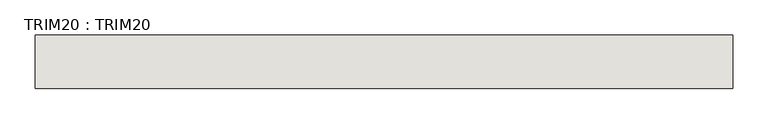
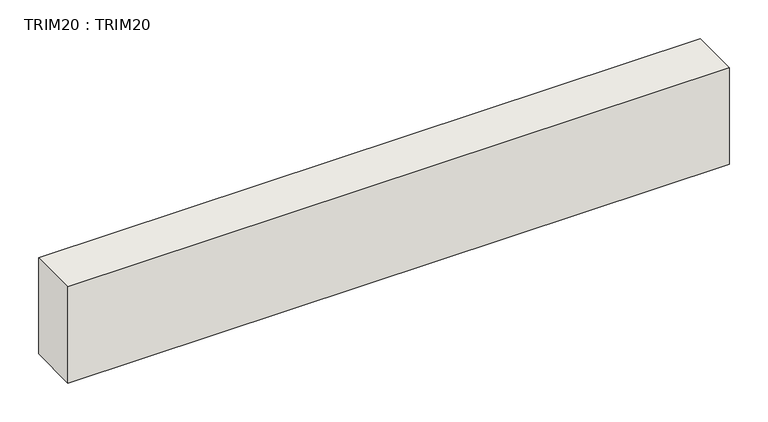
"""IFC4 building model written with IfcOpenShell, lengths in millimetres: wall geometry, TRIM20 : TRIM20."""

import ifcopenshell
import ifcopenshell.guid

model = None  # the IFC model being written
_history = None  # IfcOwnerHistory: only IFC2X3 demands one
_inside = {}  # id of a spatial element -> (the spatial element, [elements in it])
_under = {}  # id of a project, library or spatial element -> (it, [spatial elements below it])
_declared = {}  # id of a project -> (the project, [libraries it declares])
_typed = {}  # id of a type object -> (the type object, [elements of that type])
_made_of = {}  # id of a material, layer set ... -> (it, [elements and type objects made of it])


def new_model(schema):
    """Start an empty IFC model of exactly this schema.

    Asked for "IFC4X3", IfcOpenShell would pick the latest addendum, in which some entities
    have other attributes; the version numbers below select the first issue.
    IFC2X3 requires an IfcOwnerHistory on every rooted entity: one is made here for all.
    """
    global model, _history
    if schema == "IFC4X3":
        model = ifcopenshell.file(schema_version=(4, 3, 0, 0))
    else:
        model = ifcopenshell.file(schema=schema)
    _inside.clear()
    _under.clear()
    _declared.clear()
    _typed.clear()
    _made_of.clear()
    _history = None
    if model.schema == "IFC2X3":
        org = make("IfcOrganization", Name="unknown")
        user = make(
            "IfcPersonAndOrganization",
            ThePerson=make("IfcPerson", FamilyName="unknown"),
            TheOrganization=org,
        )
        app = make(
            "IfcApplication",
            ApplicationDeveloper=org,
            Version="unknown",
            ApplicationFullName="unknown",
            ApplicationIdentifier="unknown",
        )
        _history = make(
            "IfcOwnerHistory",
            OwningUser=user,
            OwningApplication=app,
            ChangeAction="ADDED",
            CreationDate=0,
        )
    return model


def make(cls, **values):
    """One entity of the class cls with the attributes given. An attribute that is None is left unset."""
    return model.create_entity(
        cls, **{name: value for name, value in values.items() if value is not None}
    )


def rooted(cls, **values):
    """An entity with a GlobalId (a new one), such as an element, a storey or a relation."""
    return make(cls, GlobalId=ifcopenshell.guid.new(), OwnerHistory=_history, **values)


def si_unit(unit_type, name, prefix=None):
    """IfcSIUnit, for example si_unit("LENGTHUNIT", "METRE", prefix="MILLI")."""
    return make("IfcSIUnit", UnitType=unit_type, Prefix=prefix, Name=name)


def assignment(units):
    """IfcUnitAssignment: the units of a project."""
    return None if units is None else make("IfcUnitAssignment", Units=units)


def point(xyz):
    """IfcCartesianPoint."""
    return None if xyz is None else make("IfcCartesianPoint", Coordinates=xyz)


def direction(xyz):
    """IfcDirection."""
    return None if xyz is None else make("IfcDirection", DirectionRatios=xyz)


def frame(location, z_axis=None, x_axis=None):
    """IfcAxis2Placement3D, a coordinate frame: its origin and axes. An axis left out is left unset."""
    return make(
        "IfcAxis2Placement3D",
        Location=point(location),
        Axis=direction(z_axis),
        RefDirection=direction(x_axis),
    )


def origin():
    """The frame at (0, 0, 0) with its axes left unset."""
    return frame((0.0, 0.0, 0.0))


def place(relative_to, where):
    """IfcLocalPlacement: puts the frame where relative to a parent placement (None: the world)."""
    return make(
        "IfcLocalPlacement", PlacementRelTo=relative_to, RelativePlacement=where
    )


def context(
    kind, dimensions, precision=None, world=None, true_north=None, identifier=None
):
    """IfcGeometricRepresentationContext, for example the 3D "Model" context."""
    return make(
        "IfcGeometricRepresentationContext",
        ContextIdentifier=identifier,
        ContextType=kind,
        CoordinateSpaceDimension=dimensions,
        Precision=precision,
        WorldCoordinateSystem=world,
        TrueNorth=true_north,
    )


def project(units=None, contexts=None):
    """IfcProject with its units and contexts."""
    return rooted(
        "IfcProject",
        Name="project",
        RepresentationContexts=contexts,
        UnitsInContext=assignment(units),
    )


def spatial(cls, under=None, at=None, **own):
    """A site, building, storey or space (cls), placed at a placement, below another one or the project."""
    s = rooted(cls, ObjectPlacement=at, **own)
    if under is not None:
        _under.setdefault(under.id(), (under, []))[1].append(s)
    return s


def polyline(points):
    """IfcPolyline through the points."""
    return make("IfcPolyline", Points=[point(p) for p in points])


def outline(outer, holes=None, kind="AREA"):
    """IfcArbitraryClosedProfileDef: a profile drawn as a closed curve; with holes, ...WithVoids."""
    if holes is None:
        return make("IfcArbitraryClosedProfileDef", ProfileType=kind, OuterCurve=outer)
    return make(
        "IfcArbitraryProfileDefWithVoids",
        ProfileType=kind,
        OuterCurve=outer,
        InnerCurves=holes,
    )


def extrude(swept, where, along, depth):
    """IfcExtrudedAreaSolid: the profile swept, set in the frame where, extruded along a direction by depth."""
    return make(
        "IfcExtrudedAreaSolid",
        SweptArea=swept,
        Position=where,
        ExtrudedDirection=direction(along),
        Depth=depth,
    )


def shape(context_of_items, identifier, shape_type, items):
    """IfcShapeRepresentation: the items that make up one representation, for example the "Body"."""
    return make(
        "IfcShapeRepresentation",
        ContextOfItems=context_of_items,
        RepresentationIdentifier=identifier,
        RepresentationType=shape_type,
        Items=items,
    )


def source(mapping_origin, context_of_items, identifier, shape_type, items):
    """IfcRepresentationMap: a shape defined once, which mapped items show again and again."""
    return make(
        "IfcRepresentationMap",
        MappingOrigin=mapping_origin,
        MappedRepresentation=shape(context_of_items, identifier, shape_type, items),
    )


def transform(
    local_origin,
    x_axis=None,
    y_axis=None,
    z_axis=None,
    scale=None,
    scale2=None,
    scale3=None,
    uniform=True,
):
    """IfcCartesianTransformationOperator3D, or its non-uniform kind. x_axis, y_axis, z_axis: its Axis1, 2, 3."""
    if uniform:
        return make(
            "IfcCartesianTransformationOperator3D",
            Axis1=direction(x_axis),
            Axis2=direction(y_axis),
            LocalOrigin=point(local_origin),
            Scale=scale,
            Axis3=direction(z_axis),
        )
    return make(
        "IfcCartesianTransformationOperator3DnonUniform",
        Axis1=direction(x_axis),
        Axis2=direction(y_axis),
        LocalOrigin=point(local_origin),
        Scale=scale,
        Axis3=direction(z_axis),
        Scale2=scale2,
        Scale3=scale3,
    )


def mapped(mapping_source, mapping_target):
    """IfcMappedItem: shows the shape of a source again, moved by a transform."""
    return make(
        "IfcMappedItem", MappingSource=mapping_source, MappingTarget=mapping_target
    )


def made_of(thing, what):
    """Note that an element or type object is made of a material, layer set ...; save() writes the relation."""
    if what is not None:
        _made_of.setdefault(what.id(), (what, []))[1].append(thing)
    return thing


def element(
    cls,
    number,
    at=None,
    inside=None,
    cuts=None,
    type_object=None,
    material=None,
    context=None,
    identifier="Body",
    shape_type=None,
    held_by="IfcProductDefinitionShape",
    body=None,
    shapes=None,
    **own,
):
    """One element of the class cls, such as IfcWall. Its Tag is "e" and its number.

    at: its placement. inside: the storey or other place that contains it. cuts: it is an
    opening in that element (IfcRelVoidsElement). A single representation is given by context,
    identifier, shape_type and body (its items); several are given by shapes. held_by: the class
    of the entity that holds the representations. save() writes the other relations.
    """
    e = rooted(cls, Tag="e%d" % number, ObjectPlacement=at, **own)
    if body is not None:
        shapes = [shape(context, identifier, shape_type, body)]
    if shapes is not None:
        e.Representation = make(held_by, Representations=shapes)
    if inside is not None:
        _inside.setdefault(inside.id(), (inside, []))[1].append(e)
    if cuts is not None:
        rooted(
            "IfcRelVoidsElement", RelatingBuildingElement=cuts, RelatedOpeningElement=e
        )
    if type_object is not None:
        _typed.setdefault(type_object.id(), (type_object, []))[1].append(e)
    return made_of(e, material)


def aggregate(whole, parts):
    """IfcRelAggregates: a whole, such as a stair, and the parts it consists of."""
    return rooted("IfcRelAggregates", RelatingObject=whole, RelatedObjects=parts)


def save(model, path):
    """Write the relations noted so far, then the file.

    IfcRelAggregates (storeys below a building ...), IfcRelContainedInSpatialStructure (elements
    in a storey), IfcRelDefinesByType, IfcRelAssociatesMaterial and IfcRelDeclares: one each for
    every whole, place, type object, material and project.
    """
    for whole, parts in _under.values():
        aggregate(whole, parts)
    for where, things in _inside.values():
        rooted(
            "IfcRelContainedInSpatialStructure",
            RelatedElements=things,
            RelatingStructure=where,
        )
    for kind, things in _typed.values():
        rooted("IfcRelDefinesByType", RelatedObjects=things, RelatingType=kind)
    for what, things in _made_of.values():
        rooted("IfcRelAssociatesMaterial", RelatedObjects=things, RelatingMaterial=what)
    for by, libraries in _declared.values():
        rooted("IfcRelDeclares", RelatingContext=by, RelatedDefinitions=libraries)
    model.write(path)


def trim20_trim20_39d92fbe(model_context):
    return source(origin(), model_context, "Body", "SweptSolid", [
        extrude(outline(polyline([(-15535.6716415, 6856.2982965), (-16526.2716415, 6856.2982965), (-16526.2716415, 6932.4982965), (-15535.6716415, 6932.4982965), (-15535.6716415, 6856.2982965)])), frame((0.0, 0.0, 7924.8), z_axis=(0.0, 0.0, 1.0), x_axis=(1.0, 0.0, 0.0)), (0.0, 0.0, 1.0), 152.4),
    ])


if __name__ == "__main__":
    model = new_model("IFC4")
    model_context = context("Model", 3, world=origin())
    ifc_project = project(units=[si_unit("LENGTHUNIT", "METRE", prefix="MILLI")], contexts=[model_context])
    site = spatial("IfcSite", under=ifc_project)
    building = spatial("IfcBuilding", under=site)
    placement = place(None, origin())
    trim20_trim20_shape = trim20_trim20_39d92fbe(model_context)
    element("IfcWall", 1, ObjectType="TRIM20 : TRIM20", at=placement, inside=building, context=model_context, shape_type="MappedRepresentation", body=[
        mapped(trim20_trim20_shape, transform((0.0, 0.0, 0.0), x_axis=(1.0, 0.0, 0.0), y_axis=(0.0, 1.0, 0.0), z_axis=(0.0, 0.0, 1.0))),
    ])
    save(model, "model.ifc")
